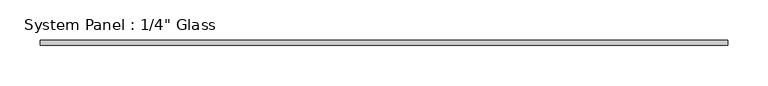
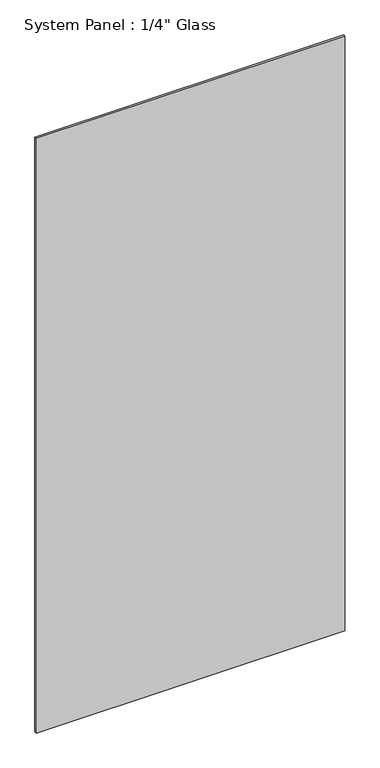
"""IFC4 building model written with IfcOpenShell, lengths in millimetres: plate geometry."""

from ifc_helpers import new_model, si_unit, origin, origin_with_axes, place, context, project, spatial, polyline, outline, extrude, source, transform, mapped, element, save


def plate_b9439de0(model_context):
    return source(origin(), model_context, "Body", "SweptSolid", [
        extrude(outline(polyline([(427.0375, -3.175), (-427.0375, -3.175), (-427.0375, 3.175), (427.0375, 3.175), (427.0375, -3.175)])), origin_with_axes(), (0.0, 0.0, 1.0), 1739.9),
    ])


if __name__ == "__main__":
    model = new_model("IFC4")
    model_context = context("Model", 3, world=origin())
    ifc_project = project(units=[si_unit("LENGTHUNIT", "METRE", prefix="MILLI")], contexts=[model_context])
    site = spatial("IfcSite", under=ifc_project)
    building = spatial("IfcBuilding", under=site)
    placement = place(None, origin())
    plate_shape = plate_b9439de0(model_context)
    element("IfcPlate", 1, ObjectType="System Panel : 1/4\" Glass", at=placement, inside=building, context=model_context, shape_type="MappedRepresentation", body=[
        mapped(plate_shape, transform((0.0, 0.0, 0.0), x_axis=(1.0, 0.0, 0.0), y_axis=(0.0, 1.0, 0.0), z_axis=(0.0, 0.0, 1.0))),
    ])
    save(model, "model.ifc")
